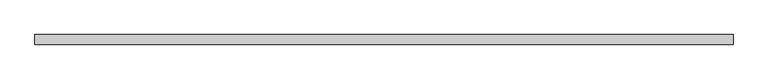
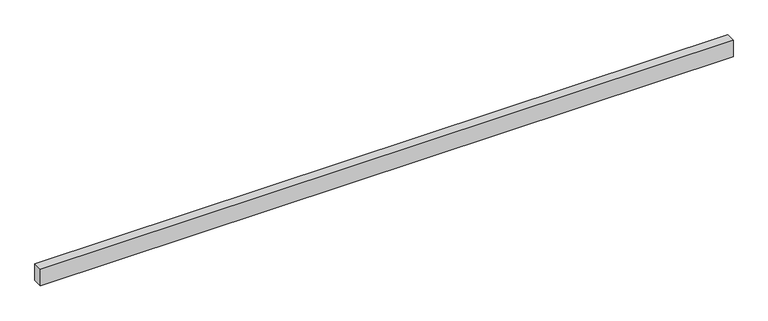
"""IFC4 building model written with IfcOpenShell, lengths in millimetres: furniture geometry."""

from ifc_helpers import new_model, si_unit, frame, origin, place, context, project, spatial, polyline, outline, extrude, source, transform, mapped, element, save


def furniture_ee85bb78(model_context):
    return source(origin(), model_context, "Body", "SweptSolid", [
        extrude(outline(polyline([(3679.952, -25.4), (0.0, -25.4), (0.0, 25.4), (3679.952, 25.4), (3679.952, -25.4)])), frame((0.0, 0.0, 2193.163), z_axis=(0.0, 0.0, 1.0), x_axis=(1.0, 0.0, 0.0)), (0.0, 0.0, 1.0), 92.71),
    ])


if __name__ == "__main__":
    model = new_model("IFC4")
    model_context = context("Model", 3, world=origin())
    ifc_project = project(units=[si_unit("LENGTHUNIT", "METRE", prefix="MILLI")], contexts=[model_context])
    site = spatial("IfcSite", under=ifc_project)
    building = spatial("IfcBuilding", under=site)
    placement = place(None, origin())
    furniture_shape = furniture_ee85bb78(model_context)
    element("IfcFurniture", 1, at=placement, inside=building, context=model_context, shape_type="MappedRepresentation", body=[
        mapped(furniture_shape, transform((0.0, 0.0, 0.0), x_axis=(1.0, 0.0, 0.0), y_axis=(0.0, 1.0, 0.0), z_axis=(0.0, 0.0, 1.0))),
    ])
    save(model, "model.ifc")
